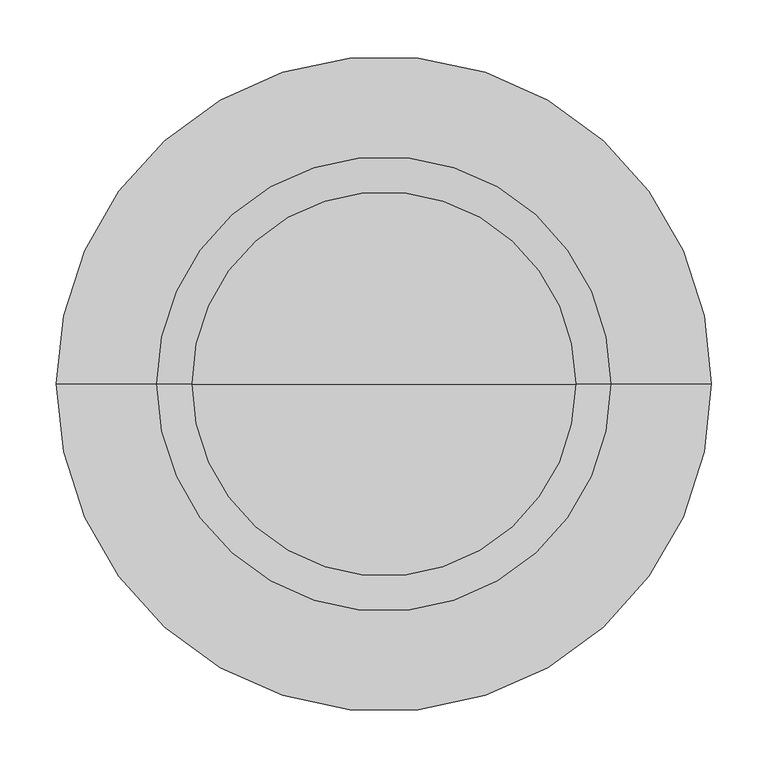
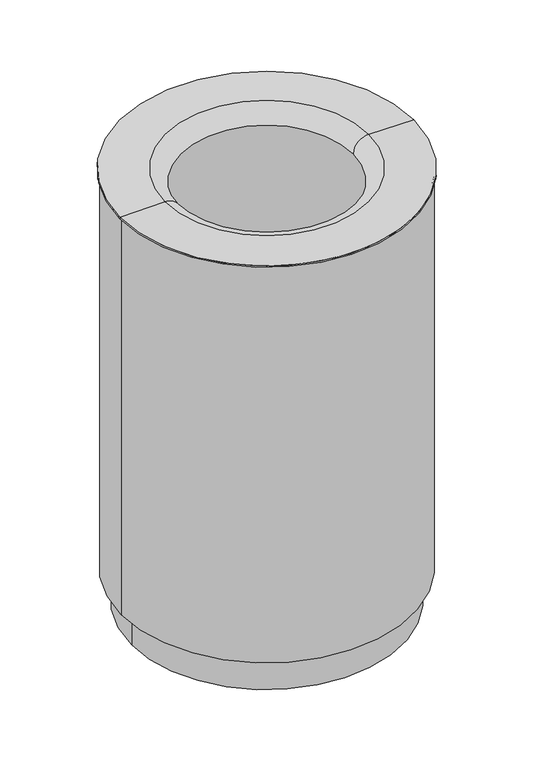
"""IFC4 building model written with IfcOpenShell, lengths in millimetres: furniture geometry."""

from ifc_helpers import new_model, si_unit, point, frame, origin, place, context, project, spatial, polyline, circle_curve, ellipse_curve, trimmed, source, transform, mapped, element, save
from ifc_brep_helpers import plane_surface, cylinder_surface, revolved_surface, advanced_brep


def furniture_30a4311e(model_context):
    return source(origin(), model_context, "Body", "AdvancedBrep", [
        advanced_brep(
        [(-283.8817565, 0.0, 73.0834801), (283.8817565, 0.0, 73.0834801), (283.8817565, 0.0, 871.1286044), (-283.8817565, 0.0, 871.1286044), (0.0, 0.0, 73.0834801), (-266.9730709, 0.0, 0.0), (266.9730709, 0.0, 0.0), (0.0, 0.0, 0.0), (-266.9730709, 0.0, 69.9883402), (266.9730709, 0.0, 69.9883402), (-286.9122293, 0.0, 69.9883402), (286.9122293, 0.0, 69.9883402), (-286.9122293, 0.0, 896.9864227), (286.9122293, 0.0, 896.9864227), (-290.0436688, 0.0, 896.9864227), (290.0436688, 0.0, 896.9864227), (-290.0436688, 0.0, 899.5452557), (290.0436688, 0.0, 899.5452557), (-201.4600699, 0.0, 901.0914882), (201.4600699, 0.0, 901.0914882), (-170.2882578, 0.0, 871.1286044), (170.2882578, 0.0, 871.1286044)],
        [
            (0, 1, circle_curve(frame((0.0, 0.0, 73.0834801), z_axis=(0.0, 0.0, -1.0), x_axis=(1.0, 0.0, 0.0)), 283.8817565)),
            (1, 2),
            (2, 3, circle_curve(frame((0.0, 0.0, 871.1286044), z_axis=(0.0, 0.0, 1.0), x_axis=(1.0, 0.0, 0.0)), 283.8817565)),
            (3, 0),
            (1, 0, circle_curve(frame((0.0, 0.0, 73.0834801), z_axis=(0.0, 0.0, -1.0), x_axis=(1.0, 0.0, 0.0)), 283.8817565)),
            (3, 2, circle_curve(frame((0.0, 0.0, 871.1286044), z_axis=(0.0, 0.0, 1.0), x_axis=(1.0, 0.0, 0.0)), 283.8817565)),
            (4, 1),
            (0, 4),
            (5, 6, circle_curve(frame((0.0, 0.0, 0.0), z_axis=(0.0, 0.0, -1.0), x_axis=(1.0, 0.0, 0.0)), 266.9730709)),
            (6, 7),
            (7, 5),
            (6, 5, circle_curve(frame((0.0, 0.0, 0.0), z_axis=(0.0, 0.0, -1.0), x_axis=(1.0, 0.0, 0.0)), 266.9730709)),
            (8, 9, circle_curve(frame((0.0, 0.0, 69.9883402), z_axis=(0.0, 0.0, -1.0), x_axis=(1.0, 0.0, 0.0)), 266.9730709)),
            (9, 6),
            (5, 8),
            (9, 8, circle_curve(frame((0.0, 0.0, 69.9883402), z_axis=(0.0, 0.0, -1.0), x_axis=(1.0, 0.0, 0.0)), 266.9730709)),
            (10, 11, circle_curve(frame((0.0, 0.0, 69.9883402), z_axis=(0.0, 0.0, -1.0), x_axis=(1.0, 0.0, 0.0)), 286.9122293)),
            (11, 9),
            (8, 10),
            (11, 10, circle_curve(frame((0.0, 0.0, 69.9883402), z_axis=(0.0, 0.0, -1.0), x_axis=(1.0, 0.0, 0.0)), 286.9122293)),
            (12, 13, circle_curve(frame((0.0, 0.0, 896.9864227), z_axis=(0.0, 0.0, -1.0), x_axis=(1.0, 0.0, 0.0)), 286.9122293)),
            (13, 11),
            (10, 12),
            (13, 12, circle_curve(frame((0.0, 0.0, 896.9864227), z_axis=(0.0, 0.0, -1.0), x_axis=(1.0, 0.0, 0.0)), 286.9122293)),
            (14, 15, circle_curve(frame((0.0, 0.0, 896.9864227), z_axis=(0.0, 0.0, -1.0), x_axis=(1.0, 0.0, 0.0)), 290.0436688)),
            (15, 13),
            (12, 14),
            (15, 14, circle_curve(frame((0.0, 0.0, 896.9864227), z_axis=(0.0, 0.0, -1.0), x_axis=(1.0, 0.0, 0.0)), 290.0436688)),
            (16, 17, circle_curve(frame((0.0, 0.0, 899.5452557), z_axis=(0.0, 0.0, -1.0), x_axis=(1.0, 0.0, 0.0)), 290.0436688)),
            (17, 15),
            (14, 16),
            (17, 16, circle_curve(frame((0.0, 0.0, 899.5452557), z_axis=(0.0, 0.0, -1.0), x_axis=(1.0, 0.0, 0.0)), 290.0436688)),
            (18, 19, circle_curve(frame((0.0, 0.0, 901.0914882), z_axis=(0.0, 0.0, -1.0), x_axis=(1.0, 0.0, 0.0)), 201.4600699)),
            (19, 17),
            (16, 18),
            (19, 18, circle_curve(frame((0.0, 0.0, 901.0914882), z_axis=(0.0, 0.0, -1.0), x_axis=(1.0, 0.0, 0.0)), 201.4600699)),
            (20, 21, circle_curve(frame((0.0, 0.0, 871.1286044), z_axis=(0.0, 0.0, -1.0), x_axis=(1.0, 0.0, 0.0)), 170.2882578)),
            (21, 19, circle_curve(frame((200.9252501, 0.0, 870.4516858), z_axis=(0.0, 1.0, 0.0), x_axis=(1.0, 0.0, 0.0)), 30.6444696)),
            (18, 20, circle_curve(frame((-200.9252501, 0.0, 870.4516858), z_axis=(0.0, 1.0, 0.0), x_axis=(-1.0, 0.0, 0.0)), 30.6444696)),
            (21, 20, circle_curve(frame((0.0, 0.0, 871.1286044), z_axis=(0.0, 0.0, -1.0), x_axis=(1.0, 0.0, 0.0)), 170.2882578)),
            (2, 21),
            (20, 3),
        ],
        [
            revolved_surface(polyline([(283.8817565, 0.0, 871.1286043999999), (283.8817565, 0.0, 73.08348010000009)]), (0.0, 0.0, 2150.5545468), (0.0, 0.0, 1.0)),
            plane_surface(frame((0.0, 0.0, 73.0834801), z_axis=(0.0, 0.0, 1.0), x_axis=(1.0, 0.0, 0.0))),
            plane_surface(frame((0.0, 0.0, 0.0), z_axis=(0.0, 0.0, -1.0), x_axis=(1.0, 0.0, 0.0))),
            cylinder_surface(frame((0.0, 0.0, 2150.5545468), z_axis=(0.0, 0.0, 1.0), x_axis=(1.0, 0.0, 0.0)), 266.9730709),
            plane_surface(frame((0.0, 0.0, 69.9883402), z_axis=(0.0, 0.0, -1.0), x_axis=(1.0, 0.0, 0.0))),
            cylinder_surface(frame((0.0, 0.0, 2150.5545468), z_axis=(0.0, 0.0, 1.0), x_axis=(1.0, 0.0, 0.0)), 286.9122293),
            plane_surface(frame((0.0, 0.0, 896.9864227), z_axis=(0.0, 0.0, -1.0), x_axis=(1.0, 0.0, 0.0))),
            cylinder_surface(frame((0.0, 0.0, 2150.5545468), z_axis=(0.0, 0.0, 1.0), x_axis=(1.0, 0.0, 0.0)), 290.0436688),
            revolved_surface(polyline([(290.0436688, 0.0, 899.5452557), (201.4600699, 0.0, 901.0914882)]), (0.0, 0.0, 2150.5545468), (0.0, 0.0, 1.0)),
            revolved_surface(trimmed(ellipse_curve(frame((200.9252501, 0.0, 870.4516858), z_axis=(0.0, -1.0, 0.0), x_axis=(1.0, 0.0, 0.0)), 30.6444696, 30.6444696), [point((201.4600699, 0.0, 901.0914882))], [point((170.2882578, 0.0, 871.1286044))], True, "CARTESIAN"), (0.0, 0.0, 2150.5545468), (0.0, 0.0, 1.0)),
            plane_surface(frame((0.0, 0.0, 871.1286044), z_axis=(0.0, 0.0, -1.0), x_axis=(1.0, 0.0, 0.0))),
        ],
        [
            (0, [[1, 2, 3, 4]]),
            (0, [[5, -4, 6, -2]]),
            (1, [[7, -1, 8]]),
            (1, [[-8, -5, -7]]),
            (2, [[9, 10, 11]]),
            (2, [[12, -11, -10]]),
            (3, [[13, 14, -9, 15]]),
            (3, [[16, -15, -12, -14]]),
            (4, [[17, 18, -13, 19]]),
            (4, [[20, -19, -16, -18]]),
            (5, [[21, 22, -17, 23]]),
            (5, [[24, -23, -20, -22]]),
            (6, [[25, 26, -21, 27]]),
            (6, [[28, -27, -24, -26]]),
            (7, [[29, 30, -25, 31]]),
            (7, [[32, -31, -28, -30]]),
            (8, [[33, 34, -29, 35]]),
            (8, [[36, -35, -32, -34]]),
            (9, [[37, 38, -33, 39]]),
            (9, [[40, -39, -36, -38]]),
            (10, [[-3, 41, -37, 42]]),
            (10, [[-6, -42, -40, -41]]),
        ],
    ),
    ])


if __name__ == "__main__":
    model = new_model("IFC4")
    model_context = context("Model", 3, world=origin())
    ifc_project = project(units=[si_unit("LENGTHUNIT", "METRE", prefix="MILLI")], contexts=[model_context])
    site = spatial("IfcSite", under=ifc_project)
    building = spatial("IfcBuilding", under=site)
    placement = place(None, origin())
    furniture_shape = furniture_30a4311e(model_context)
    element("IfcFurniture", 1, at=placement, inside=building, context=model_context, shape_type="MappedRepresentation", body=[
        mapped(furniture_shape, transform((0.0, 0.0, 0.0), x_axis=(1.0, 0.0, 0.0), y_axis=(0.0, 1.0, 0.0), z_axis=(0.0, 0.0, 1.0))),
    ])
    save(model, "model.ifc")
